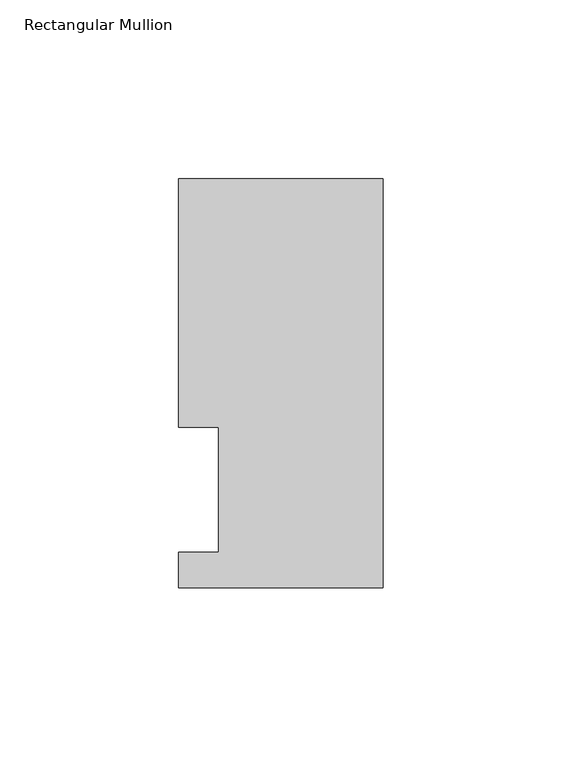
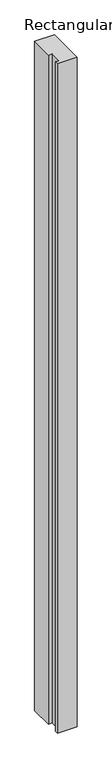
"""IFC4 building model written with IfcOpenShell, lengths in millimetres: member geometry, Rectangular Mullion."""

import ifcopenshell
import ifcopenshell.guid

model = None  # the IFC model being written
_history = None  # IfcOwnerHistory: only IFC2X3 demands one
_inside = {}  # id of a spatial element -> (the spatial element, [elements in it])
_under = {}  # id of a project, library or spatial element -> (it, [spatial elements below it])
_declared = {}  # id of a project -> (the project, [libraries it declares])
_typed = {}  # id of a type object -> (the type object, [elements of that type])
_made_of = {}  # id of a material, layer set ... -> (it, [elements and type objects made of it])


def new_model(schema):
    """Start an empty IFC model of exactly this schema.

    Asked for "IFC4X3", IfcOpenShell would pick the latest addendum, in which some entities
    have other attributes; the version numbers below select the first issue.
    IFC2X3 requires an IfcOwnerHistory on every rooted entity: one is made here for all.
    """
    global model, _history
    if schema == "IFC4X3":
        model = ifcopenshell.file(schema_version=(4, 3, 0, 0))
    else:
        model = ifcopenshell.file(schema=schema)
    _inside.clear()
    _under.clear()
    _declared.clear()
    _typed.clear()
    _made_of.clear()
    _history = None
    if model.schema == "IFC2X3":
        org = make("IfcOrganization", Name="unknown")
        user = make(
            "IfcPersonAndOrganization",
            ThePerson=make("IfcPerson", FamilyName="unknown"),
            TheOrganization=org,
        )
        app = make(
            "IfcApplication",
            ApplicationDeveloper=org,
            Version="unknown",
            ApplicationFullName="unknown",
            ApplicationIdentifier="unknown",
        )
        _history = make(
            "IfcOwnerHistory",
            OwningUser=user,
            OwningApplication=app,
            ChangeAction="ADDED",
            CreationDate=0,
        )
    return model


def make(cls, **values):
    """One entity of the class cls with the attributes given. An attribute that is None is left unset."""
    return model.create_entity(
        cls, **{name: value for name, value in values.items() if value is not None}
    )


def rooted(cls, **values):
    """An entity with a GlobalId (a new one), such as an element, a storey or a relation."""
    return make(cls, GlobalId=ifcopenshell.guid.new(), OwnerHistory=_history, **values)


def si_unit(unit_type, name, prefix=None):
    """IfcSIUnit, for example si_unit("LENGTHUNIT", "METRE", prefix="MILLI")."""
    return make("IfcSIUnit", UnitType=unit_type, Prefix=prefix, Name=name)


def assignment(units):
    """IfcUnitAssignment: the units of a project."""
    return None if units is None else make("IfcUnitAssignment", Units=units)


def point(xyz):
    """IfcCartesianPoint."""
    return None if xyz is None else make("IfcCartesianPoint", Coordinates=xyz)


def direction(xyz):
    """IfcDirection."""
    return None if xyz is None else make("IfcDirection", DirectionRatios=xyz)


def frame(location, z_axis=None, x_axis=None):
    """IfcAxis2Placement3D, a coordinate frame: its origin and axes. An axis left out is left unset."""
    return make(
        "IfcAxis2Placement3D",
        Location=point(location),
        Axis=direction(z_axis),
        RefDirection=direction(x_axis),
    )


def origin():
    """The frame at (0, 0, 0) with its axes left unset."""
    return frame((0.0, 0.0, 0.0))


def place(relative_to, where):
    """IfcLocalPlacement: puts the frame where relative to a parent placement (None: the world)."""
    return make(
        "IfcLocalPlacement", PlacementRelTo=relative_to, RelativePlacement=where
    )


def context(
    kind, dimensions, precision=None, world=None, true_north=None, identifier=None
):
    """IfcGeometricRepresentationContext, for example the 3D "Model" context."""
    return make(
        "IfcGeometricRepresentationContext",
        ContextIdentifier=identifier,
        ContextType=kind,
        CoordinateSpaceDimension=dimensions,
        Precision=precision,
        WorldCoordinateSystem=world,
        TrueNorth=true_north,
    )


def project(units=None, contexts=None):
    """IfcProject with its units and contexts."""
    return rooted(
        "IfcProject",
        Name="project",
        RepresentationContexts=contexts,
        UnitsInContext=assignment(units),
    )


def spatial(cls, under=None, at=None, **own):
    """A site, building, storey or space (cls), placed at a placement, below another one or the project."""
    s = rooted(cls, ObjectPlacement=at, **own)
    if under is not None:
        _under.setdefault(under.id(), (under, []))[1].append(s)
    return s


def polyline(points):
    """IfcPolyline through the points."""
    return make("IfcPolyline", Points=[point(p) for p in points])


def outline(outer, holes=None, kind="AREA"):
    """IfcArbitraryClosedProfileDef: a profile drawn as a closed curve; with holes, ...WithVoids."""
    if holes is None:
        return make("IfcArbitraryClosedProfileDef", ProfileType=kind, OuterCurve=outer)
    return make(
        "IfcArbitraryProfileDefWithVoids",
        ProfileType=kind,
        OuterCurve=outer,
        InnerCurves=holes,
    )


def extrude(swept, where, along, depth):
    """IfcExtrudedAreaSolid: the profile swept, set in the frame where, extruded along a direction by depth."""
    return make(
        "IfcExtrudedAreaSolid",
        SweptArea=swept,
        Position=where,
        ExtrudedDirection=direction(along),
        Depth=depth,
    )


def shape(context_of_items, identifier, shape_type, items):
    """IfcShapeRepresentation: the items that make up one representation, for example the "Body"."""
    return make(
        "IfcShapeRepresentation",
        ContextOfItems=context_of_items,
        RepresentationIdentifier=identifier,
        RepresentationType=shape_type,
        Items=items,
    )


def source(mapping_origin, context_of_items, identifier, shape_type, items):
    """IfcRepresentationMap: a shape defined once, which mapped items show again and again."""
    return make(
        "IfcRepresentationMap",
        MappingOrigin=mapping_origin,
        MappedRepresentation=shape(context_of_items, identifier, shape_type, items),
    )


def transform(
    local_origin,
    x_axis=None,
    y_axis=None,
    z_axis=None,
    scale=None,
    scale2=None,
    scale3=None,
    uniform=True,
):
    """IfcCartesianTransformationOperator3D, or its non-uniform kind. x_axis, y_axis, z_axis: its Axis1, 2, 3."""
    if uniform:
        return make(
            "IfcCartesianTransformationOperator3D",
            Axis1=direction(x_axis),
            Axis2=direction(y_axis),
            LocalOrigin=point(local_origin),
            Scale=scale,
            Axis3=direction(z_axis),
        )
    return make(
        "IfcCartesianTransformationOperator3DnonUniform",
        Axis1=direction(x_axis),
        Axis2=direction(y_axis),
        LocalOrigin=point(local_origin),
        Scale=scale,
        Axis3=direction(z_axis),
        Scale2=scale2,
        Scale3=scale3,
    )


def mapped(mapping_source, mapping_target):
    """IfcMappedItem: shows the shape of a source again, moved by a transform."""
    return make(
        "IfcMappedItem", MappingSource=mapping_source, MappingTarget=mapping_target
    )


def made_of(thing, what):
    """Note that an element or type object is made of a material, layer set ...; save() writes the relation."""
    if what is not None:
        _made_of.setdefault(what.id(), (what, []))[1].append(thing)
    return thing


def element(
    cls,
    number,
    at=None,
    inside=None,
    cuts=None,
    type_object=None,
    material=None,
    context=None,
    identifier="Body",
    shape_type=None,
    held_by="IfcProductDefinitionShape",
    body=None,
    shapes=None,
    **own,
):
    """One element of the class cls, such as IfcWall. Its Tag is "e" and its number.

    at: its placement. inside: the storey or other place that contains it. cuts: it is an
    opening in that element (IfcRelVoidsElement). A single representation is given by context,
    identifier, shape_type and body (its items); several are given by shapes. held_by: the class
    of the entity that holds the representations. save() writes the other relations.
    """
    e = rooted(cls, Tag="e%d" % number, ObjectPlacement=at, **own)
    if body is not None:
        shapes = [shape(context, identifier, shape_type, body)]
    if shapes is not None:
        e.Representation = make(held_by, Representations=shapes)
    if inside is not None:
        _inside.setdefault(inside.id(), (inside, []))[1].append(e)
    if cuts is not None:
        rooted(
            "IfcRelVoidsElement", RelatingBuildingElement=cuts, RelatedOpeningElement=e
        )
    if type_object is not None:
        _typed.setdefault(type_object.id(), (type_object, []))[1].append(e)
    return made_of(e, material)


def aggregate(whole, parts):
    """IfcRelAggregates: a whole, such as a stair, and the parts it consists of."""
    return rooted("IfcRelAggregates", RelatingObject=whole, RelatedObjects=parts)


def save(model, path):
    """Write the relations noted so far, then the file.

    IfcRelAggregates (storeys below a building ...), IfcRelContainedInSpatialStructure (elements
    in a storey), IfcRelDefinesByType, IfcRelAssociatesMaterial and IfcRelDeclares: one each for
    every whole, place, type object, material and project.
    """
    for whole, parts in _under.values():
        aggregate(whole, parts)
    for where, things in _inside.values():
        rooted(
            "IfcRelContainedInSpatialStructure",
            RelatedElements=things,
            RelatingStructure=where,
        )
    for kind, things in _typed.values():
        rooted("IfcRelDefinesByType", RelatedObjects=things, RelatingType=kind)
    for what, things in _made_of.values():
        rooted("IfcRelAssociatesMaterial", RelatedObjects=things, RelatingMaterial=what)
    for by, libraries in _declared.values():
        rooted("IfcRelDeclares", RelatingContext=by, RelatedDefinitions=libraries)
    model.write(path)


def rectangular_mullion_b236d428(model_context):
    return source(origin(), model_context, "Body", "SweptSolid", [
        extrude(outline(polyline([(0.0, 114.271425), (0.0, -0.028575), (-57.15, -0.028575), (-57.15, 9.877425), (-46.0375, 9.877425), (-46.0375, 44.802425), (-57.15, 44.802425), (-57.15, 114.271425), (0.0, 114.271425)])), frame((0.0, 0.0, -2060.575), z_axis=(0.0, 0.0, 1.0), x_axis=(1.0, 0.0, 0.0)), (0.0, 0.0, 1.0), 2060.575),
    ])


if __name__ == "__main__":
    model = new_model("IFC4")
    model_context = context("Model", 3, world=origin())
    ifc_project = project(units=[si_unit("LENGTHUNIT", "METRE", prefix="MILLI")], contexts=[model_context])
    site = spatial("IfcSite", under=ifc_project)
    building = spatial("IfcBuilding", under=site)
    placement = place(None, origin())
    rectangular_mullion_shape = rectangular_mullion_b236d428(model_context)
    element("IfcMember", 1, ObjectType="Rectangular Mullion", at=placement, inside=building, context=model_context, shape_type="MappedRepresentation", body=[
        mapped(rectangular_mullion_shape, transform((0.0, 0.0, 0.0), x_axis=(1.0, 0.0, 0.0), y_axis=(0.0, 1.0, 0.0), z_axis=(0.0, 0.0, 1.0))),
    ])
    save(model, "model.ifc")
